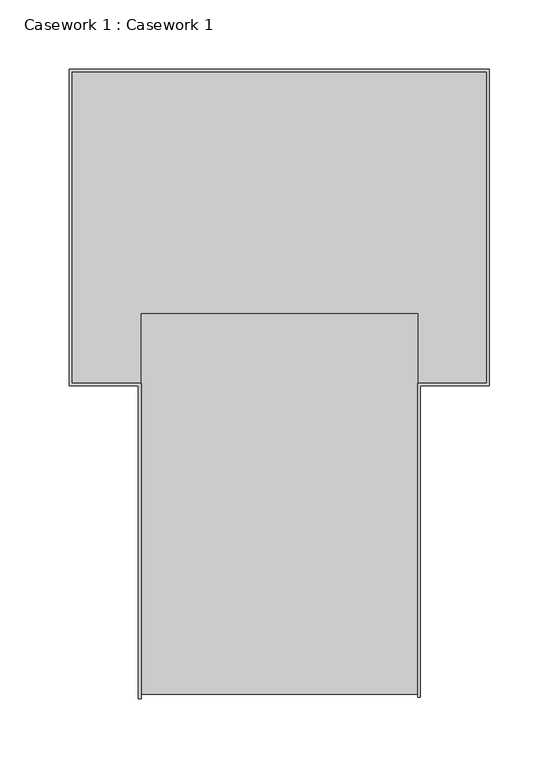
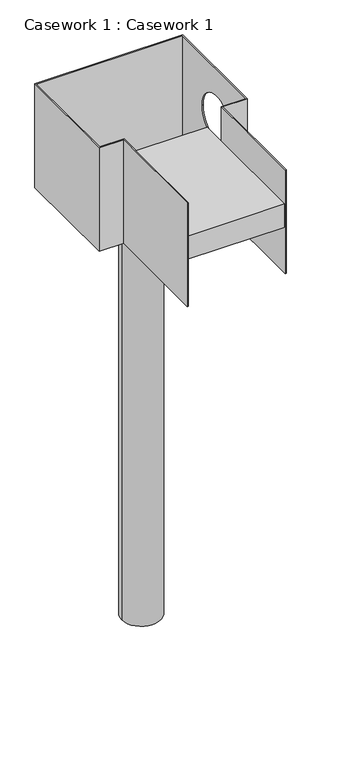
"""IFC4 building model written with IfcOpenShell, lengths in millimetres: furniture geometry, Casework 1 : Casework 1."""

from ifc_helpers import new_model, si_unit, point, frame, frame_2d, origin, place, context, project, spatial, polyline, circle_curve, trimmed, segment, composite_curve, outline, extrude, source, transform, mapped, element, save
from ifc_brep_helpers import plane_surface, revolved_surface, advanced_brep


def casework_1_casework_1_225c558d(model_context):
    return source(origin(), model_context, "Body", "SolidModel", [
        extrude(outline(polyline([(6630.3865788, 331.4034434), (6630.3865788, 606.312753), (6830.3865788, 606.312753), (6830.3865788, 331.4034434), (6630.3865788, 331.4034434)])), frame((0.0, 0.0, 2686.5732141), z_axis=(0.0, 0.0, 1.0), x_axis=(1.0, 0.0, 0.0)), (0.0, 0.0, 1.0), 50.0),
        advanced_brep(
        [(6580.3865788, 781.312753, 2811.5732141), (6880.3865788, 781.312753, 2811.5732141), (6880.3865788, 556.312753, 2811.5732141), (6830.3865788, 556.312753, 2811.5732141), (6830.3865788, 475.0499051, 2811.5732141), (6830.3865788, 329.0451025, 2811.5732141), (6832.3865788, 329.0451025, 2811.5732141), (6832.3865788, 554.312753, 2811.5732141), (6882.3865788, 554.312753, 2811.5732141), (6882.3865788, 783.312753, 2811.5732141), (6578.3865788, 783.312753, 2811.5732141), (6578.3865788, 554.312753, 2811.5732141), (6628.3865788, 554.312753, 2811.5732141), (6628.3865788, 328.1017661, 2811.5732141), (6630.3865788, 328.1017661, 2811.5732141), (6630.3865788, 475.0499051, 2811.5732141), (6630.3865788, 556.312753, 2811.5732141), (6580.3865788, 556.312753, 2811.5732141), (6580.3865788, 781.312753, 2586.5732141), (6580.3865788, 556.312753, 2586.5732141), (6630.3865788, 556.312753, 2586.5732141), (6630.3865788, 328.1017661, 2586.5732141), (6628.3865788, 328.1017661, 2586.5732141), (6628.3865788, 554.312753, 2586.5732141), (6578.3865788, 554.312753, 2586.5732141), (6578.3865788, 783.312753, 2586.5732141), (6882.3865788, 783.312753, 2586.5732141), (6882.3865788, 554.312753, 2586.5732141), (6832.3865788, 554.312753, 2586.5732141), (6832.3865788, 329.0451025, 2586.5732141), (6830.3865788, 329.0451025, 2586.5732141), (6830.3865788, 556.312753, 2586.5732141), (6880.3865788, 556.312753, 2586.5732141), (6880.3865788, 781.312753, 2586.5732141), (6880.3865788, 711.3907929, 2703.5791378), (6880.3865788, 611.3907929, 2703.5791378), (6830.3865788, 556.312753, 2591.5732141), (6630.3865788, 556.312753, 2591.5732141), (6630.3865788, 556.312753, 2686.5732141), (6830.3865788, 556.312753, 2686.5732141), (6830.3865788, 539.2883324, 2686.5732141), (6830.3865788, 539.2883324, 2591.5732141), (6882.3865788, 611.3907929, 2703.5791378), (6882.3865788, 711.3907929, 2703.5791378), (6630.3865788, 539.2883324, 2591.5732141), (6630.3865788, 539.2883324, 2686.5732141)],
        [
            (0, 1),
            (1, 2),
            (2, 3),
            (3, 4),
            (4, 5),
            (5, 6),
            (6, 7),
            (7, 8),
            (8, 9),
            (9, 10),
            (10, 11),
            (11, 12),
            (12, 13),
            (13, 14),
            (14, 15),
            (15, 16),
            (16, 17),
            (17, 0),
            (18, 19),
            (19, 20),
            (20, 21),
            (21, 22),
            (22, 23),
            (23, 24),
            (24, 25),
            (25, 26),
            (26, 27),
            (27, 28),
            (28, 29),
            (29, 30),
            (30, 31),
            (31, 32),
            (32, 33),
            (33, 18),
            (0, 18),
            (33, 1),
            (32, 2),
            (34, 35, circle_curve(frame((6880.3865788, 661.3907929, 2703.5791378), z_axis=(1.0, 0.0, 0.0), x_axis=(0.0, 1.0, 0.0)), 50.0)),
            (35, 34, circle_curve(frame((6880.3865788, 661.3907929, 2703.5791378), z_axis=(1.0, 0.0, 0.0), x_axis=(0.0, 1.0, 0.0)), 50.0)),
            (31, 36),
            (36, 37),
            (37, 20),
            (19, 17),
            (16, 38),
            (38, 39),
            (39, 3),
            (30, 5),
            (39, 40),
            (40, 41),
            (41, 36),
            (7, 28),
            (27, 8),
            (26, 9),
            (42, 43, circle_curve(frame((6882.3865788, 661.3907929, 2703.5791378), z_axis=(-1.0, 0.0, 0.0), x_axis=(0.0, 1.0, 0.0)), 50.0)),
            (43, 42, circle_curve(frame((6882.3865788, 661.3907929, 2703.5791378), z_axis=(-1.0, 0.0, 0.0), x_axis=(0.0, 1.0, 0.0)), 50.0)),
            (25, 10),
            (24, 11),
            (23, 12),
            (29, 6),
            (22, 13),
            (21, 14),
            (37, 44),
            (44, 45),
            (45, 38),
            (44, 41),
            (40, 45),
            (42, 35),
            (34, 43),
        ],
        [
            plane_surface(frame((6580.3865788, 781.312753, 2811.5732141), z_axis=(0.0, 0.0, 1.0), x_axis=(1.0, 0.0, 0.0))),
            plane_surface(frame((6580.3865788, 781.312753, 2586.5732141), z_axis=(0.0, 0.0, -1.0), x_axis=(-1.0, 0.0, 0.0))),
            plane_surface(frame((6580.3865788, 781.312753, 2811.5732141), z_axis=(0.0, -1.0, 0.0), x_axis=(0.0, 0.0, -1.0))),
            plane_surface(frame((6880.3865788, 781.312753, 2811.5732141), z_axis=(-1.0, 0.0, 0.0), x_axis=(0.0, 0.0, -1.0))),
            plane_surface(frame((6880.3865788, 556.312753, 2811.5732141), z_axis=(0.0, 1.0, 0.0), x_axis=(0.0, 0.0, -1.0))),
            plane_surface(frame((6830.3865788, 556.312753, 2811.5732141), z_axis=(-1.0, 0.0, 0.0), x_axis=(0.0, 0.0, -1.0))),
            plane_surface(frame((6832.3865788, 554.312753, 2811.5732141), z_axis=(0.0, -1.0, 0.0), x_axis=(0.0, 0.0, -1.0))),
            plane_surface(frame((6882.3865788, 554.312753, 2811.5732141), z_axis=(1.0, 0.0, 0.0), x_axis=(0.0, 0.0, -1.0))),
            plane_surface(frame((6882.3865788, 783.312753, 2811.5732141), z_axis=(0.0, 1.0, 0.0), x_axis=(0.0, 0.0, -1.0))),
            plane_surface(frame((6578.3865788, 783.312753, 2811.5732141), z_axis=(-1.0, 0.0, 0.0), x_axis=(0.0, 0.0, -1.0))),
            plane_surface(frame((6578.3865788, 554.312753, 2811.5732141), z_axis=(0.0, -1.0, 0.0), x_axis=(0.0, 0.0, -1.0))),
            plane_surface(frame((6580.3865788, 556.312753, 2811.5732141), z_axis=(1.0, 0.0, 0.0), x_axis=(0.0, 0.0, -1.0))),
            plane_surface(frame((6830.3865788, 329.0451025, 2811.5732141), z_axis=(0.0, -1.0, 0.0), x_axis=(0.0, 0.0, -1.0))),
            plane_surface(frame((6832.3865788, 329.0451025, 2811.5732141), z_axis=(1.0, 0.0, 0.0), x_axis=(0.0, 0.0, -1.0))),
            plane_surface(frame((6628.3865788, 554.312753, 2811.5732141), z_axis=(-1.0, 0.0, 0.0), x_axis=(0.0, 0.0, -1.0))),
            plane_surface(frame((6628.3865788, 328.1017661, 2811.5732141), z_axis=(0.0, -1.0, 0.0), x_axis=(0.0, 0.0, -1.0))),
            plane_surface(frame((6630.3865788, 328.1017661, 2811.5732141), z_axis=(1.0, 0.0, 0.0), x_axis=(0.0, 0.0, -1.0))),
            plane_surface(frame((6630.3865788, 539.2883324, 2686.5732141), z_axis=(0.0, -1.0, 0.0), x_axis=(0.0, 0.0, -1.0))),
            plane_surface(frame((6630.3865788, 556.312753, 2686.5732141), z_axis=(0.0, 0.0, 1.0), x_axis=(0.0, -1.0, 0.0))),
            plane_surface(frame((6830.3865788, 556.312753, 2591.5732141), z_axis=(0.0, 0.0, -1.0), x_axis=(0.0, -1.0, 0.0))),
            revolved_surface(polyline([(6880.3865788, 711.3907929, 2703.5791378), (6882.3865788, 711.3907929, 2703.5791378)]), (6906.9760286, 661.3907929, 2703.5791378), (-1.0, 0.0, 0.0)),
        ],
        [
            (0, [[1, 2, 3, 4, 5, 6, 7, 8, 9, 10, 11, 12, 13, 14, 15, 16, 17, 18]]),
            (1, [[19, 20, 21, 22, 23, 24, 25, 26, 27, 28, 29, 30, 31, 32, 33, 34]]),
            (2, [[-1, 35, -34, 36]]),
            (3, [[-2, -36, -33, 37], [38, 39]]),
            (4, [[-3, -37, -32, 40, 41, 42, -20, 43, -17, 44, 45, 46]]),
            (5, [[-31, 47, -5, -4, -46, 48, 49, 50, -40]]),
            (6, [[-8, 51, -28, 52]]),
            (7, [[-9, -52, -27, 53], [54, 55]]),
            (8, [[-10, -53, -26, 56]]),
            (9, [[-11, -56, -25, 57]]),
            (10, [[-12, -57, -24, 58]]),
            (11, [[-18, -43, -19, -35]]),
            (12, [[-6, -47, -30, 59]]),
            (13, [[-7, -59, -29, -51]]),
            (14, [[-13, -58, -23, 60]]),
            (15, [[-14, -60, -22, 61]]),
            (16, [[-21, -42, 62, 63, 64, -44, -16, -15, -61]]),
            (17, [[65, -49, 66, -63]]),
            (18, [[-45, -64, -66, -48]]),
            (19, [[-41, -50, -65, -62]]),
            (20, [[67, -38, 68, -54]]),
            (20, [[-67, -55, -68, -39]]),
        ],
    ),
        extrude(outline(composite_curve([segment(trimmed(circle_curve(frame_2d((6730.3865788, 668.812753)), 40.0), [point((6770.3865788, 668.812753))], [point((6690.3865788, 668.812753))], False, "CARTESIAN"), True, "CONTINUOUS"), segment(trimmed(circle_curve(frame_2d((6730.3865788, 668.812753)), 40.0), [point((6690.3865788, 668.812753))], [point((6770.3865788, 668.812753))], False, "CARTESIAN"), True, "CONTINUOUS")], self_intersect=False)), frame((0.0, 0.0, 1677.5969936), z_axis=(0.0, 0.0, 1.0), x_axis=(1.0, 0.0, 0.0)), (0.0, 0.0, 1.0), 908.9762205),
        extrude(outline(polyline([(6580.3865788, 556.312753), (6580.3865788, 781.312753), (6880.3865788, 781.312753), (6880.3865788, 556.312753), (6830.3865788, 556.312753), (6830.3865788, 521.312753), (6630.3865788, 521.312753), (6630.3865788, 556.312753), (6580.3865788, 556.312753)])), frame((0.0, 0.0, 2586.5732141), z_axis=(0.0, 0.0, 1.0), x_axis=(1.0, 0.0, 0.0)), (0.0, 0.0, 1.0), 5.0),
    ])


if __name__ == "__main__":
    model = new_model("IFC4")
    model_context = context("Model", 3, world=origin())
    ifc_project = project(units=[si_unit("LENGTHUNIT", "METRE", prefix="MILLI")], contexts=[model_context])
    site = spatial("IfcSite", under=ifc_project)
    building = spatial("IfcBuilding", under=site)
    placement = place(None, origin())
    casework_1_casework_1_shape = casework_1_casework_1_225c558d(model_context)
    element("IfcFurniture", 1, ObjectType="Casework 1 : Casework 1", at=placement, inside=building, context=model_context, shape_type="MappedRepresentation", body=[
        mapped(casework_1_casework_1_shape, transform((0.0, 0.0, 0.0), x_axis=(1.0, 0.0, 0.0), y_axis=(0.0, 1.0, 0.0), z_axis=(0.0, 0.0, 1.0))),
    ])
    save(model, "model.ifc")
